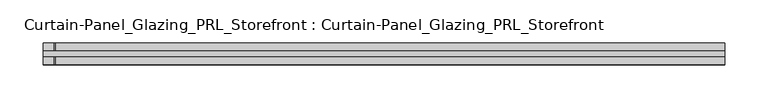
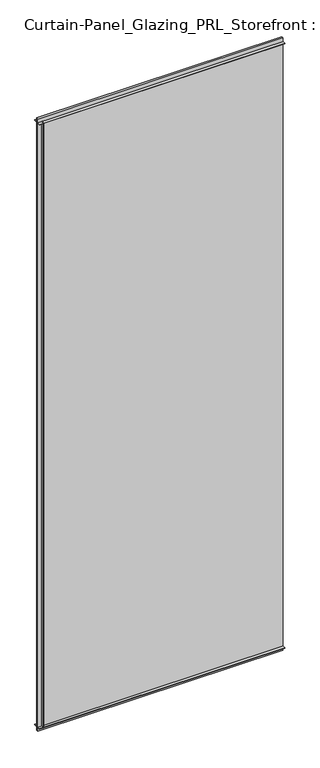
"""IFC4 building model written with IfcOpenShell, lengths in millimetres: plate geometry, Curtain-Panel_Glazing_PRL_Storefront : Curtain-Panel_Glazing_PRL_Storefront."""

from ifc_helpers import new_model, si_unit, frame, origin, origin_with_axes, place, context, project, spatial, polyline, outline, extrude, source, transform, mapped, element, save


def curtain_panel_glazing_prl_storefront_curtain_panel_glazing_acc541e9(model_context):
    return source(origin(), model_context, "Body", "SweptSolid", [
        extrude(outline(polyline([(-384.7041667, -12.7), (-384.7041667, -3.175), (-383.1166667, -3.175), (-383.1166667, -12.7), (-384.7041667, -12.7)])), frame((0.0, 0.0, 12.7), z_axis=(0.0, 0.0, 1.0), x_axis=(1.0, 0.0, 0.0)), (0.0, 0.0, 1.0), 2060.575),
        extrude(outline(polyline([(-384.7041667, 12.7), (-383.1166667, 12.7), (-383.1166667, 3.175), (-384.7041667, 3.175), (-384.7041667, 12.7)])), frame((0.0, 0.0, 12.7), z_axis=(0.0, 0.0, 1.0), x_axis=(1.0, 0.0, 0.0)), (0.0, 0.0, 1.0), 2060.575),
        extrude(outline(polyline([(394.2291667, 3.175), (394.2291667, -3.175), (-397.4041667, -3.175), (-397.4041667, 3.175), (394.2291667, 3.175)])), origin_with_axes(), (0.0, 0.0, 1.0), 2085.975),
        extrude(outline(polyline([(-397.4041667, -12.7), (-397.4041667, -3.175), (394.2291667, -3.175), (394.2291667, -12.7), (-397.4041667, -12.7)])), frame((0.0, 0.0, 2071.6875), z_axis=(0.0, 0.0, 1.0), x_axis=(1.0, 0.0, 0.0)), (0.0, 0.0, 1.0), 1.5875),
        extrude(outline(polyline([(-397.4041667, 12.7), (394.2291667, 12.7), (394.2291667, 3.175), (-397.4041667, 3.175), (-397.4041667, 12.7)])), frame((0.0, 0.0, 2071.6875), z_axis=(0.0, 0.0, 1.0), x_axis=(1.0, 0.0, 0.0)), (0.0, 0.0, 1.0), 1.5875),
        extrude(outline(polyline([(-397.4041667, -12.7), (-397.4041667, -3.175), (394.2291667, -3.175), (394.2291667, -12.7), (-397.4041667, -12.7)])), frame((0.0, 0.0, 12.7), z_axis=(0.0, 0.0, 1.0), x_axis=(1.0, 0.0, 0.0)), (0.0, 0.0, 1.0), 1.5875),
        extrude(outline(polyline([(-397.4041667, 12.7), (394.2291667, 12.7), (394.2291667, 3.175), (-397.4041667, 3.175), (-397.4041667, 12.7)])), frame((0.0, 0.0, 12.7), z_axis=(0.0, 0.0, 1.0), x_axis=(1.0, 0.0, 0.0)), (0.0, 0.0, 1.0), 1.5875),
    ])


if __name__ == "__main__":
    model = new_model("IFC4")
    model_context = context("Model", 3, world=origin())
    ifc_project = project(units=[si_unit("LENGTHUNIT", "METRE", prefix="MILLI")], contexts=[model_context])
    site = spatial("IfcSite", under=ifc_project)
    building = spatial("IfcBuilding", under=site)
    placement = place(None, origin())
    curtain_panel_glazing_prl_storefront_curtain_panel_glazing_shape = curtain_panel_glazing_prl_storefront_curtain_panel_glazing_acc541e9(model_context)
    element("IfcPlate", 1, ObjectType="Curtain-Panel_Glazing_PRL_Storefront : Curtain-Panel_Glazing_PRL_Storefront", at=placement, inside=building, context=model_context, shape_type="MappedRepresentation", body=[
        mapped(curtain_panel_glazing_prl_storefront_curtain_panel_glazing_shape, transform((0.0, 0.0, 0.0), x_axis=(1.0, 0.0, 0.0), y_axis=(0.0, 1.0, 0.0), z_axis=(0.0, 0.0, 1.0))),
    ])
    save(model, "model.ifc")
